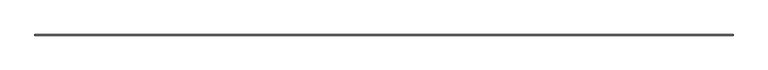
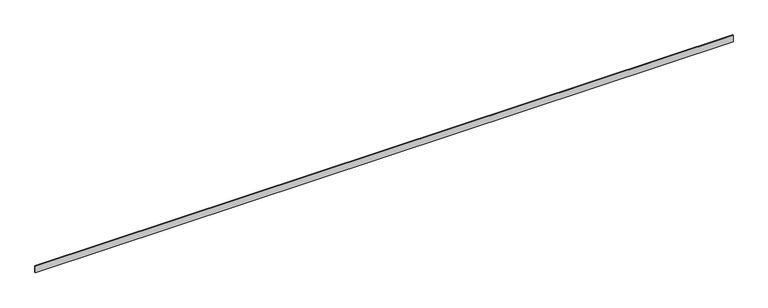
"""IFC4 building model written with IfcOpenShell, lengths in millimetres: furniture geometry."""

from ifc_helpers import new_model, si_unit, origin, origin_with_axes, place, context, project, spatial, polyline, outline, extrude, source, transform, mapped, element, save


def furniture_490613c7(model_context):
    return source(origin(), model_context, "Body", "SweptSolid", [
        extrude(outline(polyline([(0.0, 0.0), (0.0, 10.0), (10299.2691276, 10.0), (10299.2691276, 0.0), (0.0, 0.0)])), origin_with_axes(), (0.0, 0.0, 1.0), 100.0),
    ])


if __name__ == "__main__":
    model = new_model("IFC4")
    model_context = context("Model", 3, world=origin())
    ifc_project = project(units=[si_unit("LENGTHUNIT", "METRE", prefix="MILLI")], contexts=[model_context])
    site = spatial("IfcSite", under=ifc_project)
    building = spatial("IfcBuilding", under=site)
    placement = place(None, origin())
    furniture_shape = furniture_490613c7(model_context)
    element("IfcFurniture", 1, at=placement, inside=building, context=model_context, shape_type="MappedRepresentation", body=[
        mapped(furniture_shape, transform((0.0, 0.0, 0.0), x_axis=(1.0, 0.0, 0.0), y_axis=(0.0, 1.0, 0.0), z_axis=(0.0, 0.0, 1.0))),
    ])
    save(model, "model.ifc")
